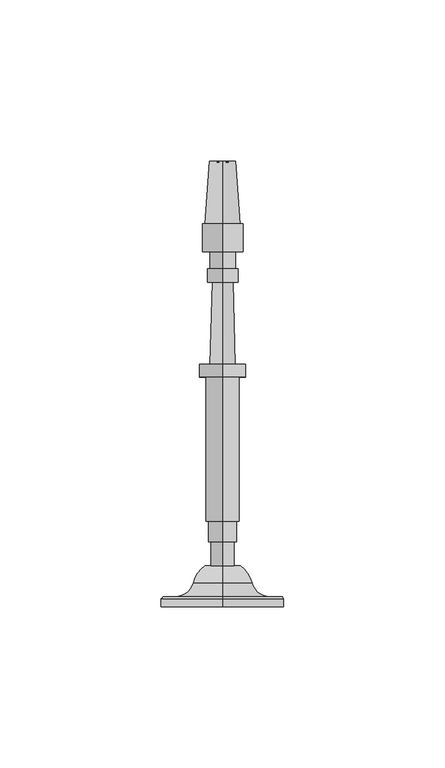
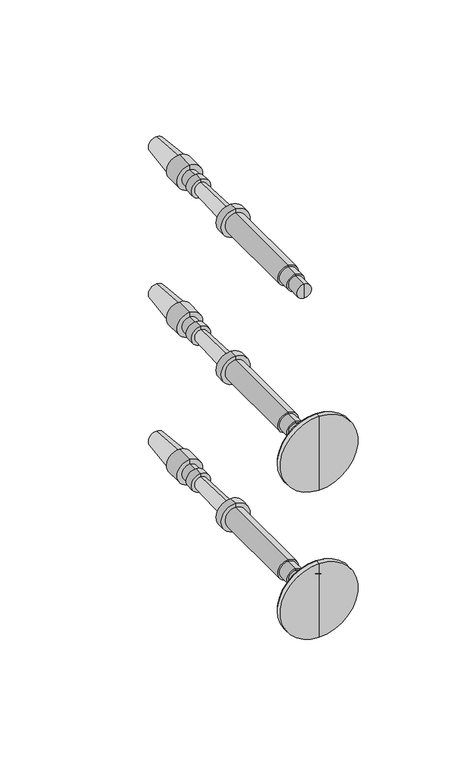
"""IFC4 building model written with IfcOpenShell, lengths in millimetres: railing geometry."""

from ifc_helpers import new_model, si_unit, point, frame, origin, place, context, project, spatial, polyline, circle_curve, ellipse_curve, trimmed, source, transform, mapped, element, save
from ifc_brep_helpers import plane_surface, cylinder_surface, revolved_surface, advanced_brep


def railing_9079da3a(model_context):
    return source(origin(), model_context, "Body", "AdvancedBrep", [
        advanced_brep(
        [(4097.4568095, 16768.2587003, 33140.0282881), (4097.4568095, 16768.2587003, 33143.6001631), (4097.4568095, 16768.2587003, 33147.1720381), (4097.4568095, 16893.2025896, 33143.6001631), (4097.4568095, 16893.4982539, 33139.5757028), (4097.4568095, 16893.4982539, 33147.6246235), (4097.4568095, 16874.1548899, 33138.1546072), (4097.4568095, 16874.1548899, 33149.045719), (4097.4568095, 16874.1548899, 33137.2616385), (4097.4568095, 16874.1548899, 33149.9386877), (4097.4568095, 16865.5228587, 33137.2616385), (4097.4568095, 16865.5228587, 33149.9386877), (4097.4568095, 16865.5228587, 33139.6428885), (4097.4568095, 16865.5228587, 33147.5574377), (4097.4568095, 16860.1650462, 33139.6428885), (4097.4568095, 16860.1650462, 33147.5574377), (4097.4568095, 16860.1650462, 33138.8491385), (4097.4568095, 16860.1650462, 33148.3511877), (4097.4568095, 16856.0970774, 33138.8491385), (4097.4568095, 16856.0970774, 33148.3511877), (4097.4568095, 16856.0529903, 33140.4360262), (4097.4568095, 16856.0529903, 33146.7643), (4097.4568095, 16830.6627871, 33139.7306319), (4097.4568095, 16830.6627871, 33147.4696944), (4097.4568095, 16830.6627871, 33136.4564131), (4097.4568095, 16830.6627871, 33150.7439131), (4097.4568095, 16826.6940371, 33136.4564131), (4097.4568095, 16826.6940371, 33150.7439131), (4097.4568095, 16826.6940371, 33138.4407881), (4097.4568095, 16826.6940371, 33148.7595381), (4097.4568095, 16781.9463808, 33138.4407881), (4097.4568095, 16781.9463808, 33148.7595381), (4097.4568095, 16781.9463808, 33139.2345381), (4097.4568095, 16781.9463808, 33147.9657881), (4097.4568095, 16775.5963808, 33139.2345381), (4097.4568095, 16775.5963808, 33147.9657881), (4097.4568095, 16775.5963808, 33140.0282881), (4097.4568095, 16775.5963808, 33147.1720381)],
        [
            (0, 1),
            (1, 2),
            (2, 0, circle_curve(frame((4097.4568095, 16768.2587003, 33143.6001631), z_axis=(0.0, -1.0, 0.0), x_axis=(0.0, 0.0, 1.0000000000000002)), 3.571875)),
            (0, 2, circle_curve(frame((4097.4568095, 16768.2587003, 33143.6001631), z_axis=(0.0, -1.0, 0.0), x_axis=(0.0, 0.0, 1.0000000000000002)), 3.571875)),
            (3, 4),
            (4, 5, circle_curve(frame((4097.4568095, 16893.4982539, 33143.6001631), z_axis=(0.0, 1.0, 0.0), x_axis=(0.0, 0.0, 1.0000000000000002)), 4.0244604)),
            (5, 3),
            (5, 4, circle_curve(frame((4097.4568095, 16893.4982539, 33143.6001631), z_axis=(0.0, 1.0, 0.0), x_axis=(0.0, 0.0, 1.0000000000000002)), 4.0244604)),
            (4, 6),
            (6, 7, circle_curve(frame((4097.4568095, 16874.1548899, 33143.6001631), z_axis=(0.0, 1.0, 0.0), x_axis=(0.0, 0.0, 1.0000000000000002)), 5.4455559)),
            (7, 5),
            (7, 6, circle_curve(frame((4097.4568095, 16874.1548899, 33143.6001631), z_axis=(0.0, 1.0, 0.0), x_axis=(0.0, 0.0, 1.0000000000000002)), 5.4455559)),
            (6, 8),
            (8, 9, circle_curve(frame((4097.4568095, 16874.1548899, 33143.6001631), z_axis=(0.0, 1.0, 0.0), x_axis=(0.0, 0.0, 1.0000000000000002)), 6.3385246)),
            (9, 7),
            (9, 8, circle_curve(frame((4097.4568095, 16874.1548899, 33143.6001631), z_axis=(0.0, 1.0, 0.0), x_axis=(0.0, 0.0, 1.0000000000000002)), 6.3385246)),
            (8, 10),
            (10, 11, circle_curve(frame((4097.4568095, 16865.5228587, 33143.6001631), z_axis=(0.0, 1.0, 0.0), x_axis=(0.0, 0.0, 1.0000000000000002)), 6.3385246)),
            (11, 9),
            (11, 10, circle_curve(frame((4097.4568095, 16865.5228587, 33143.6001631), z_axis=(0.0, 1.0, 0.0), x_axis=(0.0, 0.0, 1.0000000000000002)), 6.3385246)),
            (10, 12),
            (12, 13, circle_curve(frame((4097.4568095, 16865.5228587, 33143.6001631), z_axis=(0.0, 1.0, 0.0), x_axis=(0.0, 0.0, 1.0000000000000002)), 3.9572746)),
            (13, 11),
            (13, 12, circle_curve(frame((4097.4568095, 16865.5228587, 33143.6001631), z_axis=(0.0, 1.0, 0.0), x_axis=(0.0, 0.0, 1.0000000000000002)), 3.9572746)),
            (12, 14),
            (14, 15, circle_curve(frame((4097.4568095, 16860.1650462, 33143.6001631), z_axis=(0.0, 1.0, 0.0), x_axis=(0.0, 0.0, 1.0000000000000002)), 3.9572746)),
            (15, 13),
            (15, 14, circle_curve(frame((4097.4568095, 16860.1650462, 33143.6001631), z_axis=(0.0, 1.0, 0.0), x_axis=(0.0, 0.0, 1.0000000000000002)), 3.9572746)),
            (14, 16),
            (16, 17, circle_curve(frame((4097.4568095, 16860.1650462, 33143.6001631), z_axis=(0.0, 1.0, 0.0), x_axis=(0.0, 0.0, 1.0000000000000002)), 4.7510246)),
            (17, 15),
            (17, 16, circle_curve(frame((4097.4568095, 16860.1650462, 33143.6001631), z_axis=(0.0, 1.0, 0.0), x_axis=(0.0, 0.0, 1.0000000000000002)), 4.7510246)),
            (16, 18),
            (18, 19, circle_curve(frame((4097.4568095, 16856.0970774, 33143.6001631), z_axis=(0.0, 1.0, 0.0), x_axis=(0.0, 0.0, 1.0000000000000002)), 4.7510246)),
            (19, 17),
            (19, 18, circle_curve(frame((4097.4568095, 16856.0970774, 33143.6001631), z_axis=(0.0, 1.0, 0.0), x_axis=(0.0, 0.0, 1.0000000000000002)), 4.7510246)),
            (18, 20),
            (20, 21, circle_curve(frame((4097.4568095, 16856.0529903, 33143.6001631), z_axis=(0.0, 1.0, 0.0), x_axis=(0.0, 0.0, 1.0000000000000002)), 3.1641369)),
            (21, 19),
            (21, 20, circle_curve(frame((4097.4568095, 16856.0529903, 33143.6001631), z_axis=(0.0, 1.0, 0.0), x_axis=(0.0, 0.0, 1.0000000000000002)), 3.1641369)),
            (20, 22),
            (22, 23, circle_curve(frame((4097.4568095, 16830.6627871, 33143.6001631), z_axis=(0.0, 1.0, 0.0), x_axis=(0.0, 0.0, 1.0000000000000002)), 3.8695313)),
            (23, 21),
            (23, 22, circle_curve(frame((4097.4568095, 16830.6627871, 33143.6001631), z_axis=(0.0, 1.0, 0.0), x_axis=(0.0, 0.0, 1.0000000000000002)), 3.8695313)),
            (22, 24),
            (24, 25, circle_curve(frame((4097.4568095, 16830.6627871, 33143.6001631), z_axis=(0.0, 1.0, 0.0), x_axis=(0.0, 0.0, 1.0000000000000002)), 7.14375)),
            (25, 23),
            (25, 24, circle_curve(frame((4097.4568095, 16830.6627871, 33143.6001631), z_axis=(0.0, 1.0, 0.0), x_axis=(0.0, 0.0, 1.0000000000000002)), 7.14375)),
            (24, 26),
            (26, 27, circle_curve(frame((4097.4568095, 16826.6940371, 33143.6001631), z_axis=(0.0, 1.0, 0.0), x_axis=(0.0, 0.0, 1.0000000000000002)), 7.14375)),
            (27, 25),
            (27, 26, circle_curve(frame((4097.4568095, 16826.6940371, 33143.6001631), z_axis=(0.0, 1.0, 0.0), x_axis=(0.0, 0.0, 1.0000000000000002)), 7.14375)),
            (26, 28),
            (28, 29, circle_curve(frame((4097.4568095, 16826.6940371, 33143.6001631), z_axis=(0.0, 1.0, 0.0), x_axis=(0.0, 0.0, 1.0000000000000002)), 5.159375)),
            (29, 27),
            (29, 28, circle_curve(frame((4097.4568095, 16826.6940371, 33143.6001631), z_axis=(0.0, 1.0, 0.0), x_axis=(0.0, 0.0, 1.0000000000000002)), 5.159375)),
            (28, 30),
            (30, 31, circle_curve(frame((4097.4568095, 16781.9463808, 33143.6001631), z_axis=(0.0, 1.0, 0.0), x_axis=(0.0, 0.0, 1.0000000000000002)), 5.159375)),
            (31, 29),
            (31, 30, circle_curve(frame((4097.4568095, 16781.9463808, 33143.6001631), z_axis=(0.0, 1.0, 0.0), x_axis=(0.0, 0.0, 1.0000000000000002)), 5.159375)),
            (30, 32),
            (32, 33, circle_curve(frame((4097.4568095, 16781.9463808, 33143.6001631), z_axis=(0.0, 1.0, 0.0), x_axis=(0.0, 0.0, 1.0000000000000002)), 4.365625)),
            (33, 31),
            (33, 32, circle_curve(frame((4097.4568095, 16781.9463808, 33143.6001631), z_axis=(0.0, 1.0, 0.0), x_axis=(0.0, 0.0, 1.0000000000000002)), 4.365625)),
            (32, 34),
            (34, 35, circle_curve(frame((4097.4568095, 16775.5963808, 33143.6001631), z_axis=(0.0, 1.0, 0.0), x_axis=(0.0, 0.0, 1.0000000000000002)), 4.365625)),
            (35, 33),
            (35, 34, circle_curve(frame((4097.4568095, 16775.5963808, 33143.6001631), z_axis=(0.0, 1.0, 0.0), x_axis=(0.0, 0.0, 1.0000000000000002)), 4.365625)),
            (34, 36),
            (36, 37, circle_curve(frame((4097.4568095, 16775.5963808, 33143.6001631), z_axis=(0.0, 1.0, 0.0), x_axis=(0.0, 0.0, 1.0000000000000002)), 3.571875)),
            (37, 35),
            (37, 36, circle_curve(frame((4097.4568095, 16775.5963808, 33143.6001631), z_axis=(0.0, 1.0, 0.0), x_axis=(0.0, 0.0, 1.0000000000000002)), 3.571875)),
            (36, 0),
            (2, 37),
        ],
        [
            plane_surface(frame((4097.4568095, 16768.2587003, 33143.6001631), z_axis=(0.0, -1.0, 0.0), x_axis=(0.0, 0.0, 1.0))),
            revolved_surface(polyline([(4097.4568095, 16893.4982539, 33147.6246235), (4097.4568095, 16893.2025896, 33143.6001631)]), (4097.4568095, 16893.2025896, 33143.6001631), (0.0, 1.0, 0.0)),
            revolved_surface(polyline([(4097.4568095, 16874.1548899, 33149.045719), (4097.4568095, 16893.4982539, 33147.6246235)]), (4097.4568095, 16893.2025896, 33143.6001631), (0.0, 1.0, 0.0)),
            plane_surface(frame((4097.4568095, 16874.1548899, 33143.6001631), z_axis=(0.0, 1.0, 0.0), x_axis=(0.0, 0.0, 1.0))),
            cylinder_surface(frame((4097.4568095, 16893.2025896, 33143.6001631), z_axis=(0.0, 1.0, 0.0), x_axis=(0.0, 0.0, 1.0000000000000002)), 6.3385246),
            plane_surface(frame((4097.4568095, 16865.5228587, 33143.6001631), z_axis=(0.0, -1.0, 0.0), x_axis=(0.0, 0.0, 1.0))),
            cylinder_surface(frame((4097.4568095, 16893.2025896, 33143.6001631), z_axis=(0.0, 1.0, 0.0), x_axis=(0.0, 0.0, 1.0000000000000002)), 3.9572746),
            plane_surface(frame((4097.4568095, 16860.1650462, 33143.6001631), z_axis=(0.0, 1.0, 0.0), x_axis=(0.0, 0.0, 1.0))),
            cylinder_surface(frame((4097.4568095, 16893.2025896, 33143.6001631), z_axis=(0.0, 1.0, 0.0), x_axis=(0.0, 0.0, 1.0000000000000002)), 4.7510246),
            plane_surface(frame((4097.4568095, 16856.0529903, 33143.6001631), z_axis=(0.0, -1.0, 0.0), x_axis=(0.0, 0.0, 1.0))),
            revolved_surface(polyline([(4097.4568095, 16830.6627871, 33147.4696944), (4097.4568095, 16856.0529903, 33146.7643)]), (4097.4568095, 16893.2025896, 33143.6001631), (0.0, 1.0, 0.0)),
            plane_surface(frame((4097.4568095, 16830.6627871, 33143.6001631), z_axis=(0.0, 1.0, 0.0), x_axis=(0.0, 0.0, 1.0))),
            cylinder_surface(frame((4097.4568095, 16893.2025896, 33143.6001631), z_axis=(0.0, 1.0, 0.0), x_axis=(0.0, 0.0, 1.0000000000000002)), 7.14375),
            plane_surface(frame((4097.4568095, 16826.6940371, 33143.6001631), z_axis=(0.0, -1.0, 0.0), x_axis=(0.0, 0.0, 1.0))),
            cylinder_surface(frame((4097.4568095, 16893.2025896, 33143.6001631), z_axis=(0.0, 1.0, 0.0), x_axis=(0.0, 0.0, 1.0000000000000002)), 5.159375),
            plane_surface(frame((4097.4568095, 16781.9463808, 33143.6001631), z_axis=(0.0, -1.0, 0.0), x_axis=(0.0, 0.0, 1.0))),
            cylinder_surface(frame((4097.4568095, 16893.2025896, 33143.6001631), z_axis=(0.0, 1.0, 0.0), x_axis=(0.0, 0.0, 1.0000000000000002)), 4.365625),
            plane_surface(frame((4097.4568095, 16775.5963808, 33143.6001631), z_axis=(0.0, -1.0, 0.0), x_axis=(0.0, 0.0, 1.0))),
            cylinder_surface(frame((4097.4568095, 16893.2025896, 33143.6001631), z_axis=(0.0, 1.0, 0.0), x_axis=(0.0, 0.0, 1.0000000000000002)), 3.571875),
        ],
        [
            (0, [[1, 2, 3]]),
            (0, [[-2, -1, 4]]),
            (1, [[5, 6, 7]]),
            (1, [[-7, 8, -5]]),
            (2, [[9, 10, 11, -6]]),
            (2, [[-11, 12, -9, -8]]),
            (3, [[13, 14, 15, -10]]),
            (3, [[-15, 16, -13, -12]]),
            (4, [[17, 18, 19, -14]]),
            (4, [[-19, 20, -17, -16]]),
            (5, [[21, 22, 23, -18]]),
            (5, [[-23, 24, -21, -20]]),
            (6, [[25, 26, 27, -22]]),
            (6, [[-27, 28, -25, -24]]),
            (7, [[29, 30, 31, -26]]),
            (7, [[-31, 32, -29, -28]]),
            (8, [[33, 34, 35, -30]]),
            (8, [[-35, 36, -33, -32]]),
            (9, [[37, 38, 39, -34]]),
            (9, [[-39, 40, -37, -36]]),
            (10, [[41, 42, 43, -38]]),
            (10, [[-43, 44, -41, -40]]),
            (11, [[45, 46, 47, -42]]),
            (11, [[-47, 48, -45, -44]]),
            (12, [[49, 50, 51, -46]]),
            (12, [[-51, 52, -49, -48]]),
            (13, [[53, 54, 55, -50]]),
            (13, [[-55, 56, -53, -52]]),
            (14, [[57, 58, 59, -54]]),
            (14, [[-59, 60, -57, -56]]),
            (15, [[61, 62, 63, -58]]),
            (15, [[-63, 64, -61, -60]]),
            (16, [[65, 66, 67, -62]]),
            (16, [[-67, 68, -65, -64]]),
            (17, [[69, 70, 71, -66]]),
            (17, [[-71, 72, -69, -68]]),
            (18, [[73, -3, 74, -70]]),
            (18, [[-74, -4, -73, -72]]),
        ],
    ),
        advanced_brep(
        [(4097.4568095, 16755.5660637, 33067.4001631), (4097.4568095, 16755.5660637, 33086.4501631), (4097.4568095, 16755.5660637, 33048.3501631), (4097.4568095, 16768.2587003, 33061.8769785), (4097.4568095, 16768.2587003, 33072.9233478), (4097.4568095, 16768.2587003, 33067.4001631), (4097.4568095, 16762.9826039, 33058.2720381), (4097.4568095, 16762.9826039, 33076.5282881), (4097.4568095, 16758.6169789, 33052.6458254), (4097.4568095, 16758.6169789, 33082.1545009), (4097.4568095, 16758.6169789, 33048.7762941), (4097.4568095, 16758.6169789, 33086.0240321), (4097.4568095, 16757.9473137, 33048.3501631), (4097.4568095, 16757.9473137, 33086.4501631)],
        [
            (0, 1),
            (1, 2, circle_curve(frame((4097.4568095, 16755.5660637, 33067.4001631), z_axis=(0.0, -1.0, 0.0), x_axis=(0.0, 0.0, 1.0)), 19.05)),
            (2, 0),
            (2, 1, circle_curve(frame((4097.4568095, 16755.5660637, 33067.4001631), z_axis=(0.0, -1.0, 0.0), x_axis=(0.0, 0.0, 1.0)), 19.05)),
            (3, 4, circle_curve(frame((4097.4568095, 16768.2587003, 33067.4001631), z_axis=(0.0, 1.0, 0.0), x_axis=(0.0, 0.0, 1.0)), 5.5231846)),
            (4, 5),
            (5, 3),
            (4, 3, circle_curve(frame((4097.4568095, 16768.2587003, 33067.4001631), z_axis=(0.0, 1.0, 0.0), x_axis=(0.0, 0.0, 1.0)), 5.5231846)),
            (6, 7, circle_curve(frame((4097.4568095, 16762.9826039, 33067.4001631), z_axis=(0.0, 1.0, 0.0), x_axis=(0.0, 0.0, 1.0)), 9.128125)),
            (7, 4, circle_curve(frame((4097.4568095, 16760.6581952, 33067.4628958), z_axis=(-1.0, 0.0, 0.0), x_axis=(0.0, 1.0, 0.0)), 9.3586438)),
            (3, 6, circle_curve(frame((4097.4568095, 16760.6581952, 33067.3374304), z_axis=(-1.0, 0.0, 0.0), x_axis=(0.0, 1.0, 0.0)), 9.3586438)),
            (7, 6, circle_curve(frame((4097.4568095, 16762.9826039, 33067.4001631), z_axis=(0.0, 1.0, 0.0), x_axis=(0.0, 0.0, 1.0)), 9.128125)),
            (8, 9, circle_curve(frame((4097.4568095, 16758.6169789, 33067.4001631), z_axis=(0.0, 1.0, 0.0), x_axis=(0.0, 0.0, 1.0)), 14.7543378)),
            (9, 7, circle_curve(frame((4097.4568095, 16764.4251909, 33082.1545009), z_axis=(1.0, 0.0, 0.0), x_axis=(0.0, 1.0, 0.0)), 5.8082121)),
            (6, 8, circle_curve(frame((4097.4568095, 16764.4251909, 33052.6458254), z_axis=(1.0, 0.0, 0.0), x_axis=(0.0, 1.0, 0.0)), 5.8082121)),
            (9, 8, circle_curve(frame((4097.4568095, 16758.6169789, 33067.4001631), z_axis=(0.0, 1.0, 0.0), x_axis=(0.0, 0.0, 1.0)), 14.7543378)),
            (10, 11, circle_curve(frame((4097.4568095, 16758.6169789, 33067.4001631), z_axis=(0.0, 1.0, 0.0), x_axis=(0.0, 0.0, 1.0)), 18.623869)),
            (11, 9),
            (8, 10),
            (11, 10, circle_curve(frame((4097.4568095, 16758.6169789, 33067.4001631), z_axis=(0.0, 1.0, 0.0), x_axis=(0.0, 0.0, 1.0)), 18.623869)),
            (12, 13, circle_curve(frame((4097.4568095, 16757.9473137, 33067.4001631), z_axis=(0.0, 1.0, 0.0), x_axis=(0.0, 0.0, 1.0)), 19.05)),
            (13, 11),
            (10, 12),
            (13, 12, circle_curve(frame((4097.4568095, 16757.9473137, 33067.4001631), z_axis=(0.0, 1.0, 0.0), x_axis=(0.0, 0.0, 1.0)), 19.05)),
            (1, 13),
            (12, 2),
        ],
        [
            plane_surface(frame((4097.4568095, 16755.5660637, 33067.4001631), z_axis=(0.0, -1.0, 0.0), x_axis=(0.0, 0.0, 1.0))),
            plane_surface(frame((4097.4568095, 16768.2587003, 33067.4001631), z_axis=(0.0, 1.0, 0.0), x_axis=(0.0, 0.0, 1.0))),
            revolved_surface(trimmed(ellipse_curve(frame((4097.4568095, 16760.6581952, 33067.4628958), z_axis=(1.0, 0.0, 0.0), x_axis=(0.0, 1.0, 0.0)), 9.3586438, 9.3586438), [point((4097.4568095, 16768.2587003, 33072.9233478))], [point((4097.4568095, 16762.9826039, 33076.5282881))], True, "CARTESIAN"), (4097.4568095, 16755.5660637, 33067.4001631), (0.0, -1.0, 0.0)),
            revolved_surface(trimmed(ellipse_curve(frame((4097.4568095, 16764.4251909, 33082.1545009), z_axis=(-1.0, 0.0, 0.0), x_axis=(0.0, 1.0, 0.0)), 5.8082121, 5.8082121), [point((4097.4568095, 16762.9826039, 33076.5282881))], [point((4097.4568095, 16758.6169789, 33082.1545009))], True, "CARTESIAN"), (4097.4568095, 16755.5660637, 33067.4001631), (0.0, -1.0, 0.0)),
            plane_surface(frame((4097.4568095, 16758.6169789, 33067.4001631), z_axis=(0.0, 1.0, 0.0), x_axis=(0.0, 0.0, 1.0))),
            revolved_surface(polyline([(4097.4568095, 16758.6169789, 33086.0240321), (4097.4568095, 16757.9473137, 33086.4501631)]), (4097.4568095, 16755.5660637, 33067.4001631), (0.0, -1.0, 0.0)),
            cylinder_surface(frame((4097.4568095, 16755.5660637, 33067.4001631), z_axis=(0.0, -1.0, 0.0), x_axis=(0.0, 0.0, 1.0)), 19.05),
        ],
        [
            (0, [[1, 2, 3]]),
            (0, [[-3, 4, -1]]),
            (1, [[5, 6, 7]]),
            (1, [[8, -7, -6]]),
            (2, [[9, 10, -5, 11]]),
            (2, [[12, -11, -8, -10]]),
            (3, [[13, 14, -9, 15]]),
            (3, [[16, -15, -12, -14]]),
            (4, [[17, 18, -13, 19]]),
            (4, [[20, -19, -16, -18]]),
            (5, [[21, 22, -17, 23]]),
            (5, [[24, -23, -20, -22]]),
            (6, [[-2, 25, -21, 26]]),
            (6, [[-4, -26, -24, -25]]),
        ],
    ),
        advanced_brep(
        [(4097.4568095, 16768.2587003, 33063.8282881), (4097.4568095, 16768.2587003, 33067.4001631), (4097.4568095, 16768.2587003, 33070.9720381), (4097.4568095, 16893.2025896, 33067.4001631), (4097.4568095, 16893.4982539, 33063.3757028), (4097.4568095, 16893.4982539, 33071.4246235), (4097.4568095, 16874.1548899, 33061.9546072), (4097.4568095, 16874.1548899, 33072.845719), (4097.4568095, 16874.1548899, 33061.0616385), (4097.4568095, 16874.1548899, 33073.7386877), (4097.4568095, 16865.5228587, 33061.0616385), (4097.4568095, 16865.5228587, 33073.7386877), (4097.4568095, 16865.5228587, 33063.4428885), (4097.4568095, 16865.5228587, 33071.3574377), (4097.4568095, 16860.1650462, 33063.4428885), (4097.4568095, 16860.1650462, 33071.3574377), (4097.4568095, 16860.1650462, 33062.6491385), (4097.4568095, 16860.1650462, 33072.1511877), (4097.4568095, 16856.0970774, 33062.6491385), (4097.4568095, 16856.0970774, 33072.1511877), (4097.4568095, 16856.0529903, 33064.2360262), (4097.4568095, 16856.0529903, 33070.5643), (4097.4568095, 16830.6627871, 33063.5306319), (4097.4568095, 16830.6627871, 33071.2696944), (4097.4568095, 16830.6627871, 33060.2564131), (4097.4568095, 16830.6627871, 33074.5439131), (4097.4568095, 16826.6940371, 33060.2564131), (4097.4568095, 16826.6940371, 33074.5439131), (4097.4568095, 16826.6940371, 33062.2407881), (4097.4568095, 16826.6940371, 33072.5595381), (4097.4568095, 16781.9463808, 33062.2407881), (4097.4568095, 16781.9463808, 33072.5595381), (4097.4568095, 16781.9463808, 33063.0345381), (4097.4568095, 16781.9463808, 33071.7657881), (4097.4568095, 16775.5963808, 33063.0345381), (4097.4568095, 16775.5963808, 33071.7657881), (4097.4568095, 16775.5963808, 33063.8282881), (4097.4568095, 16775.5963808, 33070.9720381)],
        [
            (0, 1),
            (1, 2),
            (2, 0, circle_curve(frame((4097.4568095, 16768.2587003, 33067.4001631), z_axis=(0.0, -1.0, 0.0), x_axis=(0.0, 0.0, 1.0000000000000002)), 3.571875)),
            (0, 2, circle_curve(frame((4097.4568095, 16768.2587003, 33067.4001631), z_axis=(0.0, -1.0, 0.0), x_axis=(0.0, 0.0, 1.0000000000000002)), 3.571875)),
            (3, 4),
            (4, 5, circle_curve(frame((4097.4568095, 16893.4982539, 33067.4001631), z_axis=(0.0, 1.0, 0.0), x_axis=(0.0, 0.0, 1.0000000000000002)), 4.0244604)),
            (5, 3),
            (5, 4, circle_curve(frame((4097.4568095, 16893.4982539, 33067.4001631), z_axis=(0.0, 1.0, 0.0), x_axis=(0.0, 0.0, 1.0000000000000002)), 4.0244604)),
            (4, 6),
            (6, 7, circle_curve(frame((4097.4568095, 16874.1548899, 33067.4001631), z_axis=(0.0, 1.0, 0.0), x_axis=(0.0, 0.0, 1.0000000000000002)), 5.4455559)),
            (7, 5),
            (7, 6, circle_curve(frame((4097.4568095, 16874.1548899, 33067.4001631), z_axis=(0.0, 1.0, 0.0), x_axis=(0.0, 0.0, 1.0000000000000002)), 5.4455559)),
            (6, 8),
            (8, 9, circle_curve(frame((4097.4568095, 16874.1548899, 33067.4001631), z_axis=(0.0, 1.0, 0.0), x_axis=(0.0, 0.0, 1.0000000000000002)), 6.3385246)),
            (9, 7),
            (9, 8, circle_curve(frame((4097.4568095, 16874.1548899, 33067.4001631), z_axis=(0.0, 1.0, 0.0), x_axis=(0.0, 0.0, 1.0000000000000002)), 6.3385246)),
            (8, 10),
            (10, 11, circle_curve(frame((4097.4568095, 16865.5228587, 33067.4001631), z_axis=(0.0, 1.0, 0.0), x_axis=(0.0, 0.0, 1.0000000000000002)), 6.3385246)),
            (11, 9),
            (11, 10, circle_curve(frame((4097.4568095, 16865.5228587, 33067.4001631), z_axis=(0.0, 1.0, 0.0), x_axis=(0.0, 0.0, 1.0000000000000002)), 6.3385246)),
            (10, 12),
            (12, 13, circle_curve(frame((4097.4568095, 16865.5228587, 33067.4001631), z_axis=(0.0, 1.0, 0.0), x_axis=(0.0, 0.0, 1.0000000000000002)), 3.9572746)),
            (13, 11),
            (13, 12, circle_curve(frame((4097.4568095, 16865.5228587, 33067.4001631), z_axis=(0.0, 1.0, 0.0), x_axis=(0.0, 0.0, 1.0000000000000002)), 3.9572746)),
            (12, 14),
            (14, 15, circle_curve(frame((4097.4568095, 16860.1650462, 33067.4001631), z_axis=(0.0, 1.0, 0.0), x_axis=(0.0, 0.0, 1.0000000000000002)), 3.9572746)),
            (15, 13),
            (15, 14, circle_curve(frame((4097.4568095, 16860.1650462, 33067.4001631), z_axis=(0.0, 1.0, 0.0), x_axis=(0.0, 0.0, 1.0000000000000002)), 3.9572746)),
            (14, 16),
            (16, 17, circle_curve(frame((4097.4568095, 16860.1650462, 33067.4001631), z_axis=(0.0, 1.0, 0.0), x_axis=(0.0, 0.0, 1.0000000000000002)), 4.7510246)),
            (17, 15),
            (17, 16, circle_curve(frame((4097.4568095, 16860.1650462, 33067.4001631), z_axis=(0.0, 1.0, 0.0), x_axis=(0.0, 0.0, 1.0000000000000002)), 4.7510246)),
            (16, 18),
            (18, 19, circle_curve(frame((4097.4568095, 16856.0970774, 33067.4001631), z_axis=(0.0, 1.0, 0.0), x_axis=(0.0, 0.0, 1.0000000000000002)), 4.7510246)),
            (19, 17),
            (19, 18, circle_curve(frame((4097.4568095, 16856.0970774, 33067.4001631), z_axis=(0.0, 1.0, 0.0), x_axis=(0.0, 0.0, 1.0000000000000002)), 4.7510246)),
            (18, 20),
            (20, 21, circle_curve(frame((4097.4568095, 16856.0529903, 33067.4001631), z_axis=(0.0, 1.0, 0.0), x_axis=(0.0, 0.0, 1.0000000000000002)), 3.1641369)),
            (21, 19),
            (21, 20, circle_curve(frame((4097.4568095, 16856.0529903, 33067.4001631), z_axis=(0.0, 1.0, 0.0), x_axis=(0.0, 0.0, 1.0000000000000002)), 3.1641369)),
            (20, 22),
            (22, 23, circle_curve(frame((4097.4568095, 16830.6627871, 33067.4001631), z_axis=(0.0, 1.0, 0.0), x_axis=(0.0, 0.0, 1.0000000000000002)), 3.8695313)),
            (23, 21),
            (23, 22, circle_curve(frame((4097.4568095, 16830.6627871, 33067.4001631), z_axis=(0.0, 1.0, 0.0), x_axis=(0.0, 0.0, 1.0000000000000002)), 3.8695313)),
            (22, 24),
            (24, 25, circle_curve(frame((4097.4568095, 16830.6627871, 33067.4001631), z_axis=(0.0, 1.0, 0.0), x_axis=(0.0, 0.0, 1.0000000000000002)), 7.14375)),
            (25, 23),
            (25, 24, circle_curve(frame((4097.4568095, 16830.6627871, 33067.4001631), z_axis=(0.0, 1.0, 0.0), x_axis=(0.0, 0.0, 1.0000000000000002)), 7.14375)),
            (24, 26),
            (26, 27, circle_curve(frame((4097.4568095, 16826.6940371, 33067.4001631), z_axis=(0.0, 1.0, 0.0), x_axis=(0.0, 0.0, 1.0000000000000002)), 7.14375)),
            (27, 25),
            (27, 26, circle_curve(frame((4097.4568095, 16826.6940371, 33067.4001631), z_axis=(0.0, 1.0, 0.0), x_axis=(0.0, 0.0, 1.0000000000000002)), 7.14375)),
            (26, 28),
            (28, 29, circle_curve(frame((4097.4568095, 16826.6940371, 33067.4001631), z_axis=(0.0, 1.0, 0.0), x_axis=(0.0, 0.0, 1.0000000000000002)), 5.159375)),
            (29, 27),
            (29, 28, circle_curve(frame((4097.4568095, 16826.6940371, 33067.4001631), z_axis=(0.0, 1.0, 0.0), x_axis=(0.0, 0.0, 1.0000000000000002)), 5.159375)),
            (28, 30),
            (30, 31, circle_curve(frame((4097.4568095, 16781.9463808, 33067.4001631), z_axis=(0.0, 1.0, 0.0), x_axis=(0.0, 0.0, 1.0000000000000002)), 5.159375)),
            (31, 29),
            (31, 30, circle_curve(frame((4097.4568095, 16781.9463808, 33067.4001631), z_axis=(0.0, 1.0, 0.0), x_axis=(0.0, 0.0, 1.0000000000000002)), 5.159375)),
            (30, 32),
            (32, 33, circle_curve(frame((4097.4568095, 16781.9463808, 33067.4001631), z_axis=(0.0, 1.0, 0.0), x_axis=(0.0, 0.0, 1.0000000000000002)), 4.365625)),
            (33, 31),
            (33, 32, circle_curve(frame((4097.4568095, 16781.9463808, 33067.4001631), z_axis=(0.0, 1.0, 0.0), x_axis=(0.0, 0.0, 1.0000000000000002)), 4.365625)),
            (32, 34),
            (34, 35, circle_curve(frame((4097.4568095, 16775.5963808, 33067.4001631), z_axis=(0.0, 1.0, 0.0), x_axis=(0.0, 0.0, 1.0000000000000002)), 4.365625)),
            (35, 33),
            (35, 34, circle_curve(frame((4097.4568095, 16775.5963808, 33067.4001631), z_axis=(0.0, 1.0, 0.0), x_axis=(0.0, 0.0, 1.0000000000000002)), 4.365625)),
            (34, 36),
            (36, 37, circle_curve(frame((4097.4568095, 16775.5963808, 33067.4001631), z_axis=(0.0, 1.0, 0.0), x_axis=(0.0, 0.0, 1.0000000000000002)), 3.571875)),
            (37, 35),
            (37, 36, circle_curve(frame((4097.4568095, 16775.5963808, 33067.4001631), z_axis=(0.0, 1.0, 0.0), x_axis=(0.0, 0.0, 1.0000000000000002)), 3.571875)),
            (36, 0),
            (2, 37),
        ],
        [
            plane_surface(frame((4097.4568095, 16768.2587003, 33067.4001631), z_axis=(0.0, -1.0, 0.0), x_axis=(0.0, 0.0, 1.0))),
            revolved_surface(polyline([(4097.4568095, 16893.4982539, 33071.4246235), (4097.4568095, 16893.2025896, 33067.4001631)]), (4097.4568095, 16893.2025896, 33067.4001631), (0.0, 1.0, 0.0)),
            revolved_surface(polyline([(4097.4568095, 16874.1548899, 33072.845719), (4097.4568095, 16893.4982539, 33071.4246235)]), (4097.4568095, 16893.2025896, 33067.4001631), (0.0, 1.0, 0.0)),
            plane_surface(frame((4097.4568095, 16874.1548899, 33067.4001631), z_axis=(0.0, 1.0, 0.0), x_axis=(0.0, 0.0, 1.0))),
            cylinder_surface(frame((4097.4568095, 16893.2025896, 33067.4001631), z_axis=(0.0, 1.0, 0.0), x_axis=(0.0, 0.0, 1.0000000000000002)), 6.3385246),
            plane_surface(frame((4097.4568095, 16865.5228587, 33067.4001631), z_axis=(0.0, -1.0, 0.0), x_axis=(0.0, 0.0, 1.0))),
            cylinder_surface(frame((4097.4568095, 16893.2025896, 33067.4001631), z_axis=(0.0, 1.0, 0.0), x_axis=(0.0, 0.0, 1.0000000000000002)), 3.9572746),
            plane_surface(frame((4097.4568095, 16860.1650462, 33067.4001631), z_axis=(0.0, 1.0, 0.0), x_axis=(0.0, 0.0, 1.0))),
            cylinder_surface(frame((4097.4568095, 16893.2025896, 33067.4001631), z_axis=(0.0, 1.0, 0.0), x_axis=(0.0, 0.0, 1.0000000000000002)), 4.7510246),
            plane_surface(frame((4097.4568095, 16856.0529903, 33067.4001631), z_axis=(0.0, -1.0, 0.0), x_axis=(0.0, 0.0, 1.0))),
            revolved_surface(polyline([(4097.4568095, 16830.6627871, 33071.2696944), (4097.4568095, 16856.0529903, 33070.5643)]), (4097.4568095, 16893.2025896, 33067.4001631), (0.0, 1.0, 0.0)),
            plane_surface(frame((4097.4568095, 16830.6627871, 33067.4001631), z_axis=(0.0, 1.0, 0.0), x_axis=(0.0, 0.0, 1.0))),
            cylinder_surface(frame((4097.4568095, 16893.2025896, 33067.4001631), z_axis=(0.0, 1.0, 0.0), x_axis=(0.0, 0.0, 1.0000000000000002)), 7.14375),
            plane_surface(frame((4097.4568095, 16826.6940371, 33067.4001631), z_axis=(0.0, -1.0, 0.0), x_axis=(0.0, 0.0, 1.0))),
            cylinder_surface(frame((4097.4568095, 16893.2025896, 33067.4001631), z_axis=(0.0, 1.0, 0.0), x_axis=(0.0, 0.0, 1.0000000000000002)), 5.159375),
            plane_surface(frame((4097.4568095, 16781.9463808, 33067.4001631), z_axis=(0.0, -1.0, 0.0), x_axis=(0.0, 0.0, 1.0))),
            cylinder_surface(frame((4097.4568095, 16893.2025896, 33067.4001631), z_axis=(0.0, 1.0, 0.0), x_axis=(0.0, 0.0, 1.0000000000000002)), 4.365625),
            plane_surface(frame((4097.4568095, 16775.5963808, 33067.4001631), z_axis=(0.0, -1.0, 0.0), x_axis=(0.0, 0.0, 1.0))),
            cylinder_surface(frame((4097.4568095, 16893.2025896, 33067.4001631), z_axis=(0.0, 1.0, 0.0), x_axis=(0.0, 0.0, 1.0000000000000002)), 3.571875),
        ],
        [
            (0, [[1, 2, 3]]),
            (0, [[-2, -1, 4]]),
            (1, [[5, 6, 7]]),
            (1, [[-7, 8, -5]]),
            (2, [[9, 10, 11, -6]]),
            (2, [[-11, 12, -9, -8]]),
            (3, [[13, 14, 15, -10]]),
            (3, [[-15, 16, -13, -12]]),
            (4, [[17, 18, 19, -14]]),
            (4, [[-19, 20, -17, -16]]),
            (5, [[21, 22, 23, -18]]),
            (5, [[-23, 24, -21, -20]]),
            (6, [[25, 26, 27, -22]]),
            (6, [[-27, 28, -25, -24]]),
            (7, [[29, 30, 31, -26]]),
            (7, [[-31, 32, -29, -28]]),
            (8, [[33, 34, 35, -30]]),
            (8, [[-35, 36, -33, -32]]),
            (9, [[37, 38, 39, -34]]),
            (9, [[-39, 40, -37, -36]]),
            (10, [[41, 42, 43, -38]]),
            (10, [[-43, 44, -41, -40]]),
            (11, [[45, 46, 47, -42]]),
            (11, [[-47, 48, -45, -44]]),
            (12, [[49, 50, 51, -46]]),
            (12, [[-51, 52, -49, -48]]),
            (13, [[53, 54, 55, -50]]),
            (13, [[-55, 56, -53, -52]]),
            (14, [[57, 58, 59, -54]]),
            (14, [[-59, 60, -57, -56]]),
            (15, [[61, 62, 63, -58]]),
            (15, [[-63, 64, -61, -60]]),
            (16, [[65, 66, 67, -62]]),
            (16, [[-67, 68, -65, -64]]),
            (17, [[69, 70, 71, -66]]),
            (17, [[-71, 72, -69, -68]]),
            (18, [[73, -3, 74, -70]]),
            (18, [[-74, -4, -73, -72]]),
        ],
    ),
        advanced_brep(
        [(4097.4568095, 16755.5660637, 32991.2001631), (4097.4568095, 16755.5660637, 33010.2501631), (4097.4568095, 16755.5660637, 32972.1501631), (4097.4568095, 16768.2587003, 32985.6769785), (4097.4568095, 16768.2587003, 32996.7233478), (4097.4568095, 16768.2587003, 32991.2001631), (4097.4568095, 16762.9826039, 32982.0720381), (4097.4568095, 16762.9826039, 33000.3282881), (4097.4568095, 16758.6169789, 32976.4458254), (4097.4568095, 16758.6169789, 33005.9545009), (4097.4568095, 16758.6169789, 32972.5762941), (4097.4568095, 16758.6169789, 33009.8240321), (4097.4568095, 16757.9473137, 32972.1501631), (4097.4568095, 16757.9473137, 33010.2501631)],
        [
            (0, 1),
            (1, 2, circle_curve(frame((4097.4568095, 16755.5660637, 32991.2001631), z_axis=(0.0, -1.0, 0.0), x_axis=(0.0, 0.0, 1.0)), 19.05)),
            (2, 0),
            (2, 1, circle_curve(frame((4097.4568095, 16755.5660637, 32991.2001631), z_axis=(0.0, -1.0, 0.0), x_axis=(0.0, 0.0, 1.0)), 19.05)),
            (3, 4, circle_curve(frame((4097.4568095, 16768.2587003, 32991.2001631), z_axis=(0.0, 1.0, 0.0), x_axis=(0.0, 0.0, 1.0)), 5.5231846)),
            (4, 5),
            (5, 3),
            (4, 3, circle_curve(frame((4097.4568095, 16768.2587003, 32991.2001631), z_axis=(0.0, 1.0, 0.0), x_axis=(0.0, 0.0, 1.0)), 5.5231846)),
            (6, 7, circle_curve(frame((4097.4568095, 16762.9826039, 32991.2001631), z_axis=(0.0, 1.0, 0.0), x_axis=(0.0, 0.0, 1.0)), 9.128125)),
            (7, 4, circle_curve(frame((4097.4568095, 16760.6581952, 32991.2628958), z_axis=(-1.0, 0.0, 0.0), x_axis=(0.0, 1.0, 0.0)), 9.3586438)),
            (3, 6, circle_curve(frame((4097.4568095, 16760.6581952, 32991.1374304), z_axis=(-1.0, 0.0, 0.0), x_axis=(0.0, 1.0, 0.0)), 9.3586438)),
            (7, 6, circle_curve(frame((4097.4568095, 16762.9826039, 32991.2001631), z_axis=(0.0, 1.0, 0.0), x_axis=(0.0, 0.0, 1.0)), 9.128125)),
            (8, 9, circle_curve(frame((4097.4568095, 16758.6169789, 32991.2001631), z_axis=(0.0, 1.0, 0.0), x_axis=(0.0, 0.0, 1.0)), 14.7543378)),
            (9, 7, circle_curve(frame((4097.4568095, 16764.4251909, 33005.9545009), z_axis=(1.0, 0.0, 0.0), x_axis=(0.0, 1.0, 0.0)), 5.8082121)),
            (6, 8, circle_curve(frame((4097.4568095, 16764.4251909, 32976.4458254), z_axis=(1.0, 0.0, 0.0), x_axis=(0.0, 1.0, 0.0)), 5.8082121)),
            (9, 8, circle_curve(frame((4097.4568095, 16758.6169789, 32991.2001631), z_axis=(0.0, 1.0, 0.0), x_axis=(0.0, 0.0, 1.0)), 14.7543378)),
            (10, 11, circle_curve(frame((4097.4568095, 16758.6169789, 32991.2001631), z_axis=(0.0, 1.0, 0.0), x_axis=(0.0, 0.0, 1.0)), 18.623869)),
            (11, 9),
            (8, 10),
            (11, 10, circle_curve(frame((4097.4568095, 16758.6169789, 32991.2001631), z_axis=(0.0, 1.0, 0.0), x_axis=(0.0, 0.0, 1.0)), 18.623869)),
            (12, 13, circle_curve(frame((4097.4568095, 16757.9473137, 32991.2001631), z_axis=(0.0, 1.0, 0.0), x_axis=(0.0, 0.0, 1.0)), 19.05)),
            (13, 11),
            (10, 12),
            (13, 12, circle_curve(frame((4097.4568095, 16757.9473137, 32991.2001631), z_axis=(0.0, 1.0, 0.0), x_axis=(0.0, 0.0, 1.0)), 19.05)),
            (1, 13),
            (12, 2),
        ],
        [
            plane_surface(frame((4097.4568095, 16755.5660637, 32991.2001631), z_axis=(0.0, -1.0, 0.0), x_axis=(0.0, 0.0, 1.0))),
            plane_surface(frame((4097.4568095, 16768.2587003, 32991.2001631), z_axis=(0.0, 1.0, 0.0), x_axis=(0.0, 0.0, 1.0))),
            revolved_surface(trimmed(ellipse_curve(frame((4097.4568095, 16760.6581952, 32991.2628958), z_axis=(1.0, 0.0, 0.0), x_axis=(0.0, 1.0, 0.0)), 9.3586438, 9.3586438), [point((4097.4568095, 16768.2587003, 32996.7233478))], [point((4097.4568095, 16762.9826039, 33000.3282881))], True, "CARTESIAN"), (4097.4568095, 16755.5660637, 32991.2001631), (0.0, -1.0, 0.0)),
            revolved_surface(trimmed(ellipse_curve(frame((4097.4568095, 16764.4251909, 33005.9545009), z_axis=(-1.0, 0.0, 0.0), x_axis=(0.0, 1.0, 0.0)), 5.8082121, 5.8082121), [point((4097.4568095, 16762.9826039, 33000.3282881))], [point((4097.4568095, 16758.6169789, 33005.9545009))], True, "CARTESIAN"), (4097.4568095, 16755.5660637, 32991.2001631), (0.0, -1.0, 0.0)),
            plane_surface(frame((4097.4568095, 16758.6169789, 32991.2001631), z_axis=(0.0, 1.0, 0.0), x_axis=(0.0, 0.0, 1.0))),
            revolved_surface(polyline([(4097.4568095, 16758.6169789, 33009.8240321), (4097.4568095, 16757.9473137, 33010.2501631)]), (4097.4568095, 16755.5660637, 32991.2001631), (0.0, -1.0, 0.0)),
            cylinder_surface(frame((4097.4568095, 16755.5660637, 32991.2001631), z_axis=(0.0, -1.0, 0.0), x_axis=(0.0, 0.0, 1.0)), 19.05),
        ],
        [
            (0, [[1, 2, 3]]),
            (0, [[-3, 4, -1]]),
            (1, [[5, 6, 7]]),
            (1, [[8, -7, -6]]),
            (2, [[9, 10, -5, 11]]),
            (2, [[12, -11, -8, -10]]),
            (3, [[13, 14, -9, 15]]),
            (3, [[16, -15, -12, -14]]),
            (4, [[17, 18, -13, 19]]),
            (4, [[20, -19, -16, -18]]),
            (5, [[21, 22, -17, 23]]),
            (5, [[24, -23, -20, -22]]),
            (6, [[-2, 25, -21, 26]]),
            (6, [[-4, -26, -24, -25]]),
        ],
    ),
        advanced_brep(
        [(4097.4568095, 16768.2587003, 32987.6282881), (4097.4568095, 16768.2587003, 32991.2001631), (4097.4568095, 16768.2587003, 32994.7720381), (4097.4568095, 16893.2025896, 32991.2001631), (4097.4568095, 16893.4982539, 32987.1757028), (4097.4568095, 16893.4982539, 32995.2246235), (4097.4568095, 16874.1548899, 32985.7546072), (4097.4568095, 16874.1548899, 32996.645719), (4097.4568095, 16874.1548899, 32984.8616385), (4097.4568095, 16874.1548899, 32997.5386877), (4097.4568095, 16865.5228587, 32984.8616385), (4097.4568095, 16865.5228587, 32997.5386877), (4097.4568095, 16865.5228587, 32987.2428885), (4097.4568095, 16865.5228587, 32995.1574377), (4097.4568095, 16860.1650462, 32987.2428885), (4097.4568095, 16860.1650462, 32995.1574377), (4097.4568095, 16860.1650462, 32986.4491385), (4097.4568095, 16860.1650462, 32995.9511877), (4097.4568095, 16856.0970774, 32986.4491385), (4097.4568095, 16856.0970774, 32995.9511877), (4097.4568095, 16856.0529903, 32988.0360262), (4097.4568095, 16856.0529903, 32994.3643), (4097.4568095, 16830.6627871, 32987.3306319), (4097.4568095, 16830.6627871, 32995.0696944), (4097.4568095, 16830.6627871, 32984.0564131), (4097.4568095, 16830.6627871, 32998.3439131), (4097.4568095, 16826.6940371, 32984.0564131), (4097.4568095, 16826.6940371, 32998.3439131), (4097.4568095, 16826.6940371, 32986.0407881), (4097.4568095, 16826.6940371, 32996.3595381), (4097.4568095, 16781.9463808, 32986.0407881), (4097.4568095, 16781.9463808, 32996.3595381), (4097.4568095, 16781.9463808, 32986.8345381), (4097.4568095, 16781.9463808, 32995.5657881), (4097.4568095, 16775.5963808, 32986.8345381), (4097.4568095, 16775.5963808, 32995.5657881), (4097.4568095, 16775.5963808, 32987.6282881), (4097.4568095, 16775.5963808, 32994.7720381)],
        [
            (0, 1),
            (1, 2),
            (2, 0, circle_curve(frame((4097.4568095, 16768.2587003, 32991.2001631), z_axis=(0.0, -1.0, 0.0), x_axis=(0.0, 0.0, 1.0000000000000002)), 3.571875)),
            (0, 2, circle_curve(frame((4097.4568095, 16768.2587003, 32991.2001631), z_axis=(0.0, -1.0, 0.0), x_axis=(0.0, 0.0, 1.0000000000000002)), 3.571875)),
            (3, 4),
            (4, 5, circle_curve(frame((4097.4568095, 16893.4982539, 32991.2001631), z_axis=(0.0, 1.0, 0.0), x_axis=(0.0, 0.0, 1.0000000000000002)), 4.0244604)),
            (5, 3),
            (5, 4, circle_curve(frame((4097.4568095, 16893.4982539, 32991.2001631), z_axis=(0.0, 1.0, 0.0), x_axis=(0.0, 0.0, 1.0000000000000002)), 4.0244604)),
            (4, 6),
            (6, 7, circle_curve(frame((4097.4568095, 16874.1548899, 32991.2001631), z_axis=(0.0, 1.0, 0.0), x_axis=(0.0, 0.0, 1.0000000000000002)), 5.4455559)),
            (7, 5),
            (7, 6, circle_curve(frame((4097.4568095, 16874.1548899, 32991.2001631), z_axis=(0.0, 1.0, 0.0), x_axis=(0.0, 0.0, 1.0000000000000002)), 5.4455559)),
            (6, 8),
            (8, 9, circle_curve(frame((4097.4568095, 16874.1548899, 32991.2001631), z_axis=(0.0, 1.0, 0.0), x_axis=(0.0, 0.0, 1.0000000000000002)), 6.3385246)),
            (9, 7),
            (9, 8, circle_curve(frame((4097.4568095, 16874.1548899, 32991.2001631), z_axis=(0.0, 1.0, 0.0), x_axis=(0.0, 0.0, 1.0000000000000002)), 6.3385246)),
            (8, 10),
            (10, 11, circle_curve(frame((4097.4568095, 16865.5228587, 32991.2001631), z_axis=(0.0, 1.0, 0.0), x_axis=(0.0, 0.0, 1.0000000000000002)), 6.3385246)),
            (11, 9),
            (11, 10, circle_curve(frame((4097.4568095, 16865.5228587, 32991.2001631), z_axis=(0.0, 1.0, 0.0), x_axis=(0.0, 0.0, 1.0000000000000002)), 6.3385246)),
            (10, 12),
            (12, 13, circle_curve(frame((4097.4568095, 16865.5228587, 32991.2001631), z_axis=(0.0, 1.0, 0.0), x_axis=(0.0, 0.0, 1.0000000000000002)), 3.9572746)),
            (13, 11),
            (13, 12, circle_curve(frame((4097.4568095, 16865.5228587, 32991.2001631), z_axis=(0.0, 1.0, 0.0), x_axis=(0.0, 0.0, 1.0000000000000002)), 3.9572746)),
            (12, 14),
            (14, 15, circle_curve(frame((4097.4568095, 16860.1650462, 32991.2001631), z_axis=(0.0, 1.0, 0.0), x_axis=(0.0, 0.0, 1.0000000000000002)), 3.9572746)),
            (15, 13),
            (15, 14, circle_curve(frame((4097.4568095, 16860.1650462, 32991.2001631), z_axis=(0.0, 1.0, 0.0), x_axis=(0.0, 0.0, 1.0000000000000002)), 3.9572746)),
            (14, 16),
            (16, 17, circle_curve(frame((4097.4568095, 16860.1650462, 32991.2001631), z_axis=(0.0, 1.0, 0.0), x_axis=(0.0, 0.0, 1.0000000000000002)), 4.7510246)),
            (17, 15),
            (17, 16, circle_curve(frame((4097.4568095, 16860.1650462, 32991.2001631), z_axis=(0.0, 1.0, 0.0), x_axis=(0.0, 0.0, 1.0000000000000002)), 4.7510246)),
            (16, 18),
            (18, 19, circle_curve(frame((4097.4568095, 16856.0970774, 32991.2001631), z_axis=(0.0, 1.0, 0.0), x_axis=(0.0, 0.0, 1.0000000000000002)), 4.7510246)),
            (19, 17),
            (19, 18, circle_curve(frame((4097.4568095, 16856.0970774, 32991.2001631), z_axis=(0.0, 1.0, 0.0), x_axis=(0.0, 0.0, 1.0000000000000002)), 4.7510246)),
            (18, 20),
            (20, 21, circle_curve(frame((4097.4568095, 16856.0529903, 32991.2001631), z_axis=(0.0, 1.0, 0.0), x_axis=(0.0, 0.0, 1.0000000000000002)), 3.1641369)),
            (21, 19),
            (21, 20, circle_curve(frame((4097.4568095, 16856.0529903, 32991.2001631), z_axis=(0.0, 1.0, 0.0), x_axis=(0.0, 0.0, 1.0000000000000002)), 3.1641369)),
            (20, 22),
            (22, 23, circle_curve(frame((4097.4568095, 16830.6627871, 32991.2001631), z_axis=(0.0, 1.0, 0.0), x_axis=(0.0, 0.0, 1.0000000000000002)), 3.8695313)),
            (23, 21),
            (23, 22, circle_curve(frame((4097.4568095, 16830.6627871, 32991.2001631), z_axis=(0.0, 1.0, 0.0), x_axis=(0.0, 0.0, 1.0000000000000002)), 3.8695313)),
            (22, 24),
            (24, 25, circle_curve(frame((4097.4568095, 16830.6627871, 32991.2001631), z_axis=(0.0, 1.0, 0.0), x_axis=(0.0, 0.0, 1.0000000000000002)), 7.14375)),
            (25, 23),
            (25, 24, circle_curve(frame((4097.4568095, 16830.6627871, 32991.2001631), z_axis=(0.0, 1.0, 0.0), x_axis=(0.0, 0.0, 1.0000000000000002)), 7.14375)),
            (24, 26),
            (26, 27, circle_curve(frame((4097.4568095, 16826.6940371, 32991.2001631), z_axis=(0.0, 1.0, 0.0), x_axis=(0.0, 0.0, 1.0000000000000002)), 7.14375)),
            (27, 25),
            (27, 26, circle_curve(frame((4097.4568095, 16826.6940371, 32991.2001631), z_axis=(0.0, 1.0, 0.0), x_axis=(0.0, 0.0, 1.0000000000000002)), 7.14375)),
            (26, 28),
            (28, 29, circle_curve(frame((4097.4568095, 16826.6940371, 32991.2001631), z_axis=(0.0, 1.0, 0.0), x_axis=(0.0, 0.0, 1.0000000000000002)), 5.159375)),
            (29, 27),
            (29, 28, circle_curve(frame((4097.4568095, 16826.6940371, 32991.2001631), z_axis=(0.0, 1.0, 0.0), x_axis=(0.0, 0.0, 1.0000000000000002)), 5.159375)),
            (28, 30),
            (30, 31, circle_curve(frame((4097.4568095, 16781.9463808, 32991.2001631), z_axis=(0.0, 1.0, 0.0), x_axis=(0.0, 0.0, 1.0000000000000002)), 5.159375)),
            (31, 29),
            (31, 30, circle_curve(frame((4097.4568095, 16781.9463808, 32991.2001631), z_axis=(0.0, 1.0, 0.0), x_axis=(0.0, 0.0, 1.0000000000000002)), 5.159375)),
            (30, 32),
            (32, 33, circle_curve(frame((4097.4568095, 16781.9463808, 32991.2001631), z_axis=(0.0, 1.0, 0.0), x_axis=(0.0, 0.0, 1.0000000000000002)), 4.365625)),
            (33, 31),
            (33, 32, circle_curve(frame((4097.4568095, 16781.9463808, 32991.2001631), z_axis=(0.0, 1.0, 0.0), x_axis=(0.0, 0.0, 1.0000000000000002)), 4.365625)),
            (32, 34),
            (34, 35, circle_curve(frame((4097.4568095, 16775.5963808, 32991.2001631), z_axis=(0.0, 1.0, 0.0), x_axis=(0.0, 0.0, 1.0000000000000002)), 4.365625)),
            (35, 33),
            (35, 34, circle_curve(frame((4097.4568095, 16775.5963808, 32991.2001631), z_axis=(0.0, 1.0, 0.0), x_axis=(0.0, 0.0, 1.0000000000000002)), 4.365625)),
            (34, 36),
            (36, 37, circle_curve(frame((4097.4568095, 16775.5963808, 32991.2001631), z_axis=(0.0, 1.0, 0.0), x_axis=(0.0, 0.0, 1.0000000000000002)), 3.571875)),
            (37, 35),
            (37, 36, circle_curve(frame((4097.4568095, 16775.5963808, 32991.2001631), z_axis=(0.0, 1.0, 0.0), x_axis=(0.0, 0.0, 1.0000000000000002)), 3.571875)),
            (36, 0),
            (2, 37),
        ],
        [
            plane_surface(frame((4097.4568095, 16768.2587003, 32991.2001631), z_axis=(0.0, -1.0, 0.0), x_axis=(0.0, 0.0, 1.0))),
            revolved_surface(polyline([(4097.4568095, 16893.4982539, 32995.2246235), (4097.4568095, 16893.2025896, 32991.2001631)]), (4097.4568095, 16893.2025896, 32991.2001631), (0.0, 1.0, 0.0)),
            revolved_surface(polyline([(4097.4568095, 16874.1548899, 32996.645719), (4097.4568095, 16893.4982539, 32995.2246235)]), (4097.4568095, 16893.2025896, 32991.2001631), (0.0, 1.0, 0.0)),
            plane_surface(frame((4097.4568095, 16874.1548899, 32991.2001631), z_axis=(0.0, 1.0, 0.0), x_axis=(0.0, 0.0, 1.0))),
            cylinder_surface(frame((4097.4568095, 16893.2025896, 32991.2001631), z_axis=(0.0, 1.0, 0.0), x_axis=(0.0, 0.0, 1.0000000000000002)), 6.3385246),
            plane_surface(frame((4097.4568095, 16865.5228587, 32991.2001631), z_axis=(0.0, -1.0, 0.0), x_axis=(0.0, 0.0, 1.0))),
            cylinder_surface(frame((4097.4568095, 16893.2025896, 32991.2001631), z_axis=(0.0, 1.0, 0.0), x_axis=(0.0, 0.0, 1.0000000000000002)), 3.9572746),
            plane_surface(frame((4097.4568095, 16860.1650462, 32991.2001631), z_axis=(0.0, 1.0, 0.0), x_axis=(0.0, 0.0, 1.0))),
            cylinder_surface(frame((4097.4568095, 16893.2025896, 32991.2001631), z_axis=(0.0, 1.0, 0.0), x_axis=(0.0, 0.0, 1.0000000000000002)), 4.7510246),
            plane_surface(frame((4097.4568095, 16856.0529903, 32991.2001631), z_axis=(0.0, -1.0, 0.0), x_axis=(0.0, 0.0, 1.0))),
            revolved_surface(polyline([(4097.4568095, 16830.6627871, 32995.0696944), (4097.4568095, 16856.0529903, 32994.3643)]), (4097.4568095, 16893.2025896, 32991.2001631), (0.0, 1.0, 0.0)),
            plane_surface(frame((4097.4568095, 16830.6627871, 32991.2001631), z_axis=(0.0, 1.0, 0.0), x_axis=(0.0, 0.0, 1.0))),
            cylinder_surface(frame((4097.4568095, 16893.2025896, 32991.2001631), z_axis=(0.0, 1.0, 0.0), x_axis=(0.0, 0.0, 1.0000000000000002)), 7.14375),
            plane_surface(frame((4097.4568095, 16826.6940371, 32991.2001631), z_axis=(0.0, -1.0, 0.0), x_axis=(0.0, 0.0, 1.0))),
            cylinder_surface(frame((4097.4568095, 16893.2025896, 32991.2001631), z_axis=(0.0, 1.0, 0.0), x_axis=(0.0, 0.0, 1.0000000000000002)), 5.159375),
            plane_surface(frame((4097.4568095, 16781.9463808, 32991.2001631), z_axis=(0.0, -1.0, 0.0), x_axis=(0.0, 0.0, 1.0))),
            cylinder_surface(frame((4097.4568095, 16893.2025896, 32991.2001631), z_axis=(0.0, 1.0, 0.0), x_axis=(0.0, 0.0, 1.0000000000000002)), 4.365625),
            plane_surface(frame((4097.4568095, 16775.5963808, 32991.2001631), z_axis=(0.0, -1.0, 0.0), x_axis=(0.0, 0.0, 1.0))),
            cylinder_surface(frame((4097.4568095, 16893.2025896, 32991.2001631), z_axis=(0.0, 1.0, 0.0), x_axis=(0.0, 0.0, 1.0000000000000002)), 3.571875),
        ],
        [
            (0, [[1, 2, 3]]),
            (0, [[-2, -1, 4]]),
            (1, [[5, 6, 7]]),
            (1, [[-7, 8, -5]]),
            (2, [[9, 10, 11, -6]]),
            (2, [[-11, 12, -9, -8]]),
            (3, [[13, 14, 15, -10]]),
            (3, [[-15, 16, -13, -12]]),
            (4, [[17, 18, 19, -14]]),
            (4, [[-19, 20, -17, -16]]),
            (5, [[21, 22, 23, -18]]),
            (5, [[-23, 24, -21, -20]]),
            (6, [[25, 26, 27, -22]]),
            (6, [[-27, 28, -25, -24]]),
            (7, [[29, 30, 31, -26]]),
            (7, [[-31, 32, -29, -28]]),
            (8, [[33, 34, 35, -30]]),
            (8, [[-35, 36, -33, -32]]),
            (9, [[37, 38, 39, -34]]),
            (9, [[-39, 40, -37, -36]]),
            (10, [[41, 42, 43, -38]]),
            (10, [[-43, 44, -41, -40]]),
            (11, [[45, 46, 47, -42]]),
            (11, [[-47, 48, -45, -44]]),
            (12, [[49, 50, 51, -46]]),
            (12, [[-51, 52, -49, -48]]),
            (13, [[53, 54, 55, -50]]),
            (13, [[-55, 56, -53, -52]]),
            (14, [[57, 58, 59, -54]]),
            (14, [[-59, 60, -57, -56]]),
            (15, [[61, 62, 63, -58]]),
            (15, [[-63, 64, -61, -60]]),
            (16, [[65, 66, 67, -62]]),
            (16, [[-67, 68, -65, -64]]),
            (17, [[69, 70, 71, -66]]),
            (17, [[-71, 72, -69, -68]]),
            (18, [[73, -3, 74, -70]]),
            (18, [[-74, -4, -73, -72]]),
        ],
    ),
    ])


if __name__ == "__main__":
    model = new_model("IFC4")
    model_context = context("Model", 3, world=origin())
    ifc_project = project(units=[si_unit("LENGTHUNIT", "METRE", prefix="MILLI")], contexts=[model_context])
    site = spatial("IfcSite", under=ifc_project)
    building = spatial("IfcBuilding", under=site)
    placement = place(None, origin())
    railing_shape = railing_9079da3a(model_context)
    element("IfcRailing", 1, at=placement, inside=building, context=model_context, shape_type="MappedRepresentation", body=[
        mapped(railing_shape, transform((0.0, 0.0, 0.0), x_axis=(1.0, 0.0, 0.0), y_axis=(0.0, 1.0, 0.0), z_axis=(0.0, 0.0, 1.0))),
    ])
    save(model, "model.ifc")
